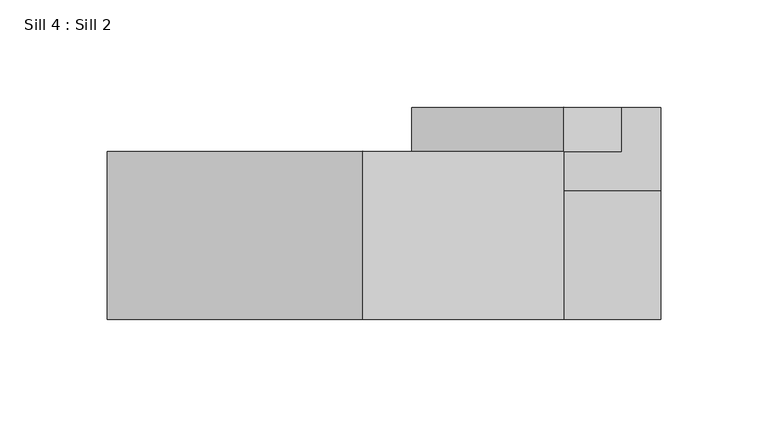
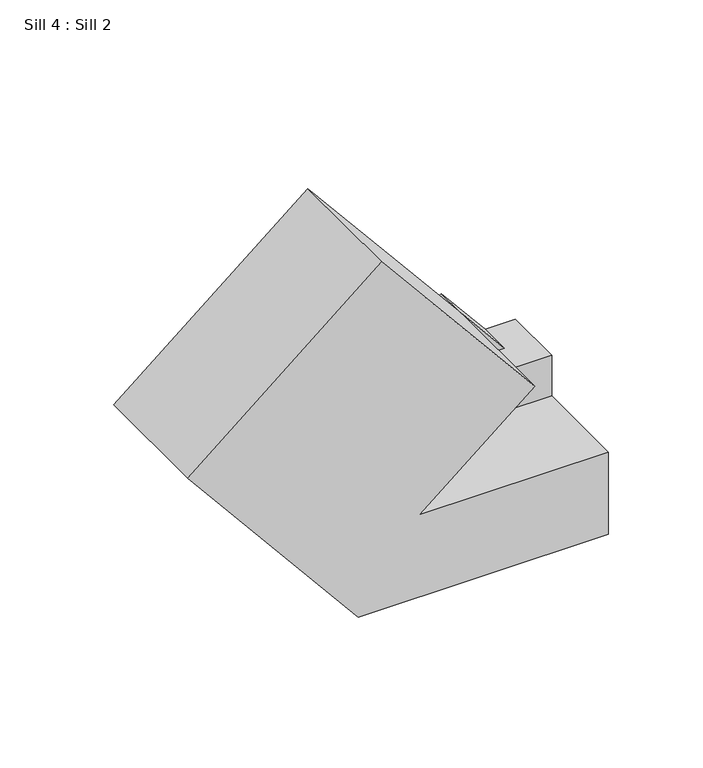
"""IFC4 building model written with IfcOpenShell, lengths in millimetres: proxy geometry, Sill 4 : Sill 2."""

from ifc_helpers import new_model, si_unit, origin, place, context, project, spatial, faceted_brep, source, transform, mapped, element, save


def sill_4_sill_2_38c9b599(model_context):
    return source(origin(), model_context, "Body", "Brep", [
        faceted_brep([(-11869.2898439, 12835.4993892, -366.6143251), (-11842.6053977, 12835.4993892, -398.883109), (-11824.2731929, 12835.4993892, -398.883109), (-11824.2731929, 12835.4993892, -425.070509), (-11939.9793369, 12835.4993892, -425.070509), (-11842.6053977, 12815.002383, -398.883109), (-11869.2898439, 12815.002383, -366.6143251), (-11908.3116176, 12815.002383, -398.883109), (-11939.9793369, 12815.002383, -425.070509), (-11908.3116176, 12815.002383, -398.883109), (-11824.2731929, 12796.812808, -425.070509), (-11824.2731929, 12796.812808, -398.883109), (-11908.3116176, 12796.812808, -398.883109), (-11939.9793369, 12796.812808, -425.070509), (-11939.9793369, 12796.812808, -425.070509), (-11824.2731929, 12796.812808, -478.258109), (-11977.058555, 12796.812808, -478.258109), (-11988.1208376, 12796.812808, -464.8807878), (-11824.2731929, 12736.7971992, -478.258109), (-11824.2731929, 12736.7971992, -425.070509), (-11939.9793369, 12736.7971992, -425.070509), (-11869.2898439, 12736.7971992, -366.6143251), (-11962.8243659, 12736.7971992, -253.5055401), (-12081.651642, 12736.7971992, -351.7689286), (-11977.058555, 12736.7971992, -478.258109), (-12081.6553597, 12815.002383, -351.7720029), (-11988.1208376, 12815.002383, -464.8807878), (-11962.8243659, 12815.002383, -253.5055401)], [[[0, 1, 2, 3, 4]], [[5, 6, 7]], [[1, 0, 6, 5]], [[6, 0, 4, 8, 9]], [[10, 11, 12, 13]], [[3, 2, 11, 10]], [[12, 11, 2, 1, 5, 7]], [[4, 3, 10, 14, 8]], [[15, 16, 17, 14, 10]], [[18, 19, 20, 21, 22, 23, 24]], [[15, 10, 19, 18]], [[20, 19, 10, 13]], [[16, 15, 18, 24]], [[17, 16, 24, 23, 25, 26]], [[25, 27, 6, 9, 8, 26]], [[6, 21, 20, 13, 12, 7]], [[26, 8, 14, 17]], [[6, 27, 22, 21]], [[27, 25, 23, 22]]]),
    ])


if __name__ == "__main__":
    model = new_model("IFC4")
    model_context = context("Model", 3, world=origin())
    ifc_project = project(units=[si_unit("LENGTHUNIT", "METRE", prefix="MILLI")], contexts=[model_context])
    site = spatial("IfcSite", under=ifc_project)
    building = spatial("IfcBuilding", under=site)
    placement = place(None, origin())
    sill_4_sill_2_shape = sill_4_sill_2_38c9b599(model_context)
    element("IfcBuildingElementProxy", 1, Name="Sill 4 : Sill 2", ObjectType="Sill 4 : Sill 2", at=placement, inside=building, context=model_context, shape_type="MappedRepresentation", body=[
        mapped(sill_4_sill_2_shape, transform((0.0, 0.0, 0.0), x_axis=(1.0, 0.0, 0.0), y_axis=(0.0, 1.0, 0.0), z_axis=(0.0, 0.0, 1.0))),
    ])
    save(model, "model.ifc")
